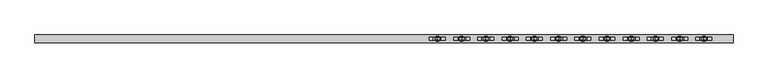
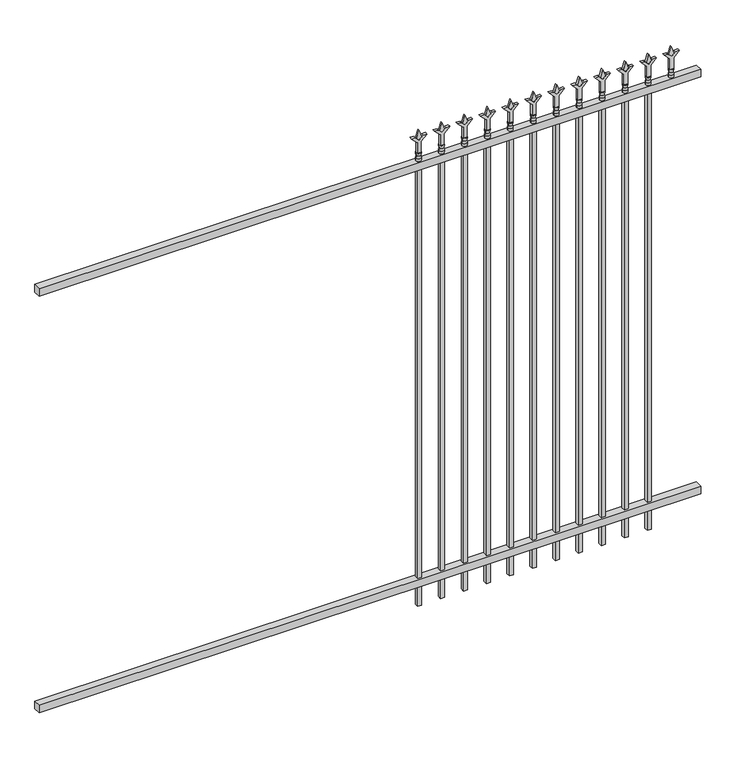
"""IFC4 building model written with IfcOpenShell, lengths in millimetres: railing geometry."""

from ifc_helpers import new_model, si_unit, frame, origin, place, context, project, spatial, polyline, circle_curve, outline, extrude, source, transform, mapped, element, save
from ifc_brep_helpers import plane_surface, cylinder_surface, revolved_surface, advanced_brep


def railing_24e2526b(model_context):
    return source(origin(), model_context, "Body", "SolidModel", [
        extrude(outline(polyline([(-55249.318087, 5443.2804826), (-55249.318087, 5478.2054826), (-52099.718087, 5478.2054826), (-52099.718087, 5443.2804826), (-55249.318087, 5443.2804826)])), frame((0.0, 0.0, 2247.9), z_axis=(0.0, 0.0, 1.0), x_axis=(1.0, 0.0, 0.0)), (0.0, 0.0, 1.0), 38.1),
        extrude(outline(polyline([(-55249.318087, 5443.2804826), (-55249.318087, 5478.2054826), (-52099.718087, 5478.2054826), (-52099.718087, 5443.2804826), (-55249.318087, 5443.2804826)])), frame((0.0, 0.0, 152.4), z_axis=(0.0, 0.0, 1.0), x_axis=(1.0, 0.0, 0.0)), (0.0, 0.0, 1.0), 38.1),
        extrude(outline(polyline([(2402.68125, -52328.8472536), (2438.4, -52340.7535036), (2402.68125, -52352.6597536), (2390.775, -52340.7535036), (2402.68125, -52328.8472536)])), frame((0.0, 5455.9804826, 0.0), z_axis=(0.0, 1.0, 0.0), x_axis=(0.0, 0.0, 1.0)), (0.0, 0.0, 1.0), 9.525),
        extrude(outline(polyline([(2327.275, -52332.0222536), (2381.5457378, -52332.0222536), (2408.7355122, -52304.8324791), (2408.7355122, -52322.7929914), (2390.775, -52340.7535036), (2408.7355122, -52358.7140159), (2408.7355122, -52376.6745281), (2381.5457378, -52349.4847536), (2327.275, -52349.4847536), (2327.275, -52332.0222536)])), frame((0.0, 5454.3929826, 0.0), z_axis=(0.0, 1.0, 0.0), x_axis=(0.0, 0.0, 1.0)), (0.0, 0.0, 1.0), 12.7),
        advanced_brep(
        [(-52328.8472536, 5460.7429826, 2298.7), (-52352.6597536, 5460.7429826, 2298.7), (-52352.6597536, 5460.7429826, 2286.0), (-52328.8472536, 5460.7429826, 2286.0), (-52331.0525855, 5460.7429826, 2311.2070585), (-52350.4544218, 5460.7429826, 2311.2070585), (-52328.8472536, 5460.7429826, 2327.275), (-52352.6597536, 5460.7429826, 2327.275), (-52340.7535036, 5460.7429826, 2327.275), (-52340.7535036, 5460.7429826, 2286.0)],
        [
            (0, 1, circle_curve(frame((-52340.7535036, 5460.7429826, 2298.7), z_axis=(0.0, 0.0, -1.0), x_axis=(-1.0, 0.0, 0.0)), 11.90625)),
            (1, 2),
            (2, 3, circle_curve(frame((-52340.7535036, 5460.7429826, 2286.0), z_axis=(0.0, 0.0, 1.0), x_axis=(-1.0, 0.0, 0.0)), 11.90625)),
            (3, 0),
            (1, 0, circle_curve(frame((-52340.7535036, 5460.7429826, 2298.7), z_axis=(0.0, 0.0, -1.0), x_axis=(-1.0, 0.0, 0.0)), 11.90625)),
            (3, 2, circle_curve(frame((-52340.7535036, 5460.7429826, 2286.0), z_axis=(0.0, 0.0, 1.0), x_axis=(-1.0, 0.0, 0.0)), 11.90625)),
            (4, 5, circle_curve(frame((-52340.7535036, 5460.7429826, 2311.2070585), z_axis=(0.0, 0.0, -1.0), x_axis=(-1.0, 0.0, 0.0)), 9.7009181)),
            (5, 1),
            (0, 4),
            (5, 4, circle_curve(frame((-52340.7535036, 5460.7429826, 2311.2070585), z_axis=(0.0, 0.0, -1.0), x_axis=(-1.0, 0.0, 0.0)), 9.7009181)),
            (6, 7, circle_curve(frame((-52340.7535036, 5460.7429826, 2327.275), z_axis=(0.0, 0.0, -1.0), x_axis=(-1.0, 0.0, 0.0)), 11.90625)),
            (7, 5),
            (4, 6),
            (7, 6, circle_curve(frame((-52340.7535036, 5460.7429826, 2327.275), z_axis=(0.0, 0.0, -1.0), x_axis=(-1.0, 0.0, 0.0)), 11.90625)),
            (8, 7),
            (6, 8),
            (2, 9),
            (9, 3),
        ],
        [
            cylinder_surface(frame((-52340.7535036, 5460.7429826, 2286.0), z_axis=(0.0, 0.0, 1.0), x_axis=(-1.0, 0.0, 0.0)), 11.90625),
            revolved_surface(polyline([(-52352.6597536, 5460.7429826, 2298.7), (-52350.4544218, 5460.7429826, 2311.2070585)]), (-52340.7535036, 5460.7429826, 2286.0), (0.0, 0.0, 1.0)),
            revolved_surface(polyline([(-52350.4544218, 5460.7429826, 2311.2070585), (-52352.6597536, 5460.7429826, 2327.275)]), (-52340.7535036, 5460.7429826, 2286.0), (0.0, 0.0, 1.0)),
            plane_surface(frame((-52340.7535036, 5460.7429826, 2327.275), z_axis=(0.0, 0.0, 1.0), x_axis=(-1.0, 0.0, 0.0))),
            plane_surface(frame((-52340.7535036, 5460.7429826, 2286.0), z_axis=(0.0, 0.0, -1.0), x_axis=(-1.0, 0.0, 0.0))),
        ],
        [
            (0, [[1, 2, 3, 4]]),
            (0, [[5, -4, 6, -2]]),
            (1, [[7, 8, -1, 9]]),
            (1, [[10, -9, -5, -8]]),
            (2, [[11, 12, -7, 13]]),
            (2, [[14, -13, -10, -12]]),
            (3, [[15, -11, 16]]),
            (3, [[-16, -14, -15]]),
            (4, [[-3, 17, 18]]),
            (4, [[-6, -18, -17]]),
        ],
    ),
        extrude(outline(polyline([(-52350.2785036, 5470.2679826), (-52331.2285036, 5470.2679826), (-52331.2285036, 5451.2179826), (-52350.2785036, 5451.2179826), (-52350.2785036, 5470.2679826)])), frame((0.0, 0.0, 50.8), z_axis=(0.0, 0.0, 1.0), x_axis=(1.0, 0.0, 0.0)), (0.0, 0.0, 1.0), 2235.2),
        extrude(outline(polyline([(2402.68125, -52438.1201703), (2438.4, -52450.0264203), (2402.68125, -52461.9326703), (2390.775, -52450.0264203), (2402.68125, -52438.1201703)])), frame((0.0, 5455.9804826, 0.0), z_axis=(0.0, 1.0, 0.0), x_axis=(0.0, 0.0, 1.0)), (0.0, 0.0, 1.0), 9.525),
        extrude(outline(polyline([(2327.275, -52441.2951703), (2381.5457378, -52441.2951703), (2408.7355122, -52414.1053958), (2408.7355122, -52432.0659081), (2390.775, -52450.0264203), (2408.7355122, -52467.9869325), (2408.7355122, -52485.9474448), (2381.5457378, -52458.7576703), (2327.275, -52458.7576703), (2327.275, -52441.2951703)])), frame((0.0, 5454.3929826, 0.0), z_axis=(0.0, 1.0, 0.0), x_axis=(0.0, 0.0, 1.0)), (0.0, 0.0, 1.0), 12.7),
        advanced_brep(
        [(-52438.1201703, 5460.7429826, 2298.7), (-52461.9326703, 5460.7429826, 2298.7), (-52461.9326703, 5460.7429826, 2286.0), (-52438.1201703, 5460.7429826, 2286.0), (-52440.3255022, 5460.7429826, 2311.2070585), (-52459.7273384, 5460.7429826, 2311.2070585), (-52438.1201703, 5460.7429826, 2327.275), (-52461.9326703, 5460.7429826, 2327.275), (-52450.0264203, 5460.7429826, 2327.275), (-52450.0264203, 5460.7429826, 2286.0)],
        [
            (0, 1, circle_curve(frame((-52450.0264203, 5460.7429826, 2298.7), z_axis=(0.0, 0.0, -1.0), x_axis=(-1.0, 0.0, 0.0)), 11.90625)),
            (1, 2),
            (2, 3, circle_curve(frame((-52450.0264203, 5460.7429826, 2286.0), z_axis=(0.0, 0.0, 1.0), x_axis=(-1.0, 0.0, 0.0)), 11.90625)),
            (3, 0),
            (1, 0, circle_curve(frame((-52450.0264203, 5460.7429826, 2298.7), z_axis=(0.0, 0.0, -1.0), x_axis=(-1.0, 0.0, 0.0)), 11.90625)),
            (3, 2, circle_curve(frame((-52450.0264203, 5460.7429826, 2286.0), z_axis=(0.0, 0.0, 1.0), x_axis=(-1.0, 0.0, 0.0)), 11.90625)),
            (4, 5, circle_curve(frame((-52450.0264203, 5460.7429826, 2311.2070585), z_axis=(0.0, 0.0, -1.0), x_axis=(-1.0, 0.0, 0.0)), 9.7009181)),
            (5, 1),
            (0, 4),
            (5, 4, circle_curve(frame((-52450.0264203, 5460.7429826, 2311.2070585), z_axis=(0.0, 0.0, -1.0), x_axis=(-1.0, 0.0, 0.0)), 9.7009181)),
            (6, 7, circle_curve(frame((-52450.0264203, 5460.7429826, 2327.275), z_axis=(0.0, 0.0, -1.0), x_axis=(-1.0, 0.0, 0.0)), 11.90625)),
            (7, 5),
            (4, 6),
            (7, 6, circle_curve(frame((-52450.0264203, 5460.7429826, 2327.275), z_axis=(0.0, 0.0, -1.0), x_axis=(-1.0, 0.0, 0.0)), 11.90625)),
            (8, 7),
            (6, 8),
            (2, 9),
            (9, 3),
        ],
        [
            cylinder_surface(frame((-52450.0264203, 5460.7429826, 2286.0), z_axis=(0.0, 0.0, 1.0), x_axis=(-1.0, 0.0, 0.0)), 11.90625),
            revolved_surface(polyline([(-52461.9326703, 5460.7429826, 2298.7), (-52459.7273384, 5460.7429826, 2311.2070585)]), (-52450.0264203, 5460.7429826, 2286.0), (0.0, 0.0, 1.0)),
            revolved_surface(polyline([(-52459.7273384, 5460.7429826, 2311.2070585), (-52461.9326703, 5460.7429826, 2327.275)]), (-52450.0264203, 5460.7429826, 2286.0), (0.0, 0.0, 1.0)),
            plane_surface(frame((-52450.0264203, 5460.7429826, 2327.275), z_axis=(0.0, 0.0, 1.0), x_axis=(-1.0, 0.0, 0.0))),
            plane_surface(frame((-52450.0264203, 5460.7429826, 2286.0), z_axis=(0.0, 0.0, -1.0), x_axis=(-1.0, 0.0, 0.0))),
        ],
        [
            (0, [[1, 2, 3, 4]]),
            (0, [[5, -4, 6, -2]]),
            (1, [[7, 8, -1, 9]]),
            (1, [[10, -9, -5, -8]]),
            (2, [[11, 12, -7, 13]]),
            (2, [[14, -13, -10, -12]]),
            (3, [[15, -11, 16]]),
            (3, [[-16, -14, -15]]),
            (4, [[-3, 17, 18]]),
            (4, [[-6, -18, -17]]),
        ],
    ),
        extrude(outline(polyline([(-52459.5514203, 5470.2679826), (-52440.5014203, 5470.2679826), (-52440.5014203, 5451.2179826), (-52459.5514203, 5451.2179826), (-52459.5514203, 5470.2679826)])), frame((0.0, 0.0, 50.8), z_axis=(0.0, 0.0, 1.0), x_axis=(1.0, 0.0, 0.0)), (0.0, 0.0, 1.0), 2235.2),
        extrude(outline(polyline([(2402.68125, -52547.393087), (2438.4, -52559.299337), (2402.68125, -52571.205587), (2390.775, -52559.299337), (2402.68125, -52547.393087)])), frame((0.0, 5455.9804826, 0.0), z_axis=(0.0, 1.0, 0.0), x_axis=(0.0, 0.0, 1.0)), (0.0, 0.0, 1.0), 9.525),
        extrude(outline(polyline([(2327.275, -52550.568087), (2381.5457378, -52550.568087), (2408.7355122, -52523.3783125), (2408.7355122, -52541.3388247), (2390.775, -52559.299337), (2408.7355122, -52577.2598492), (2408.7355122, -52595.2203614), (2381.5457378, -52568.030587), (2327.275, -52568.030587), (2327.275, -52550.568087)])), frame((0.0, 5454.3929826, 0.0), z_axis=(0.0, 1.0, 0.0), x_axis=(0.0, 0.0, 1.0)), (0.0, 0.0, 1.0), 12.7),
        advanced_brep(
        [(-52547.393087, 5460.7429826, 2298.7), (-52571.205587, 5460.7429826, 2298.7), (-52571.205587, 5460.7429826, 2286.0), (-52547.393087, 5460.7429826, 2286.0), (-52549.5984188, 5460.7429826, 2311.2070585), (-52569.0002551, 5460.7429826, 2311.2070585), (-52547.393087, 5460.7429826, 2327.275), (-52571.205587, 5460.7429826, 2327.275), (-52559.299337, 5460.7429826, 2327.275), (-52559.299337, 5460.7429826, 2286.0)],
        [
            (0, 1, circle_curve(frame((-52559.299337, 5460.7429826, 2298.7), z_axis=(0.0, 0.0, -1.0), x_axis=(-1.0, 0.0, 0.0)), 11.90625)),
            (1, 2),
            (2, 3, circle_curve(frame((-52559.299337, 5460.7429826, 2286.0), z_axis=(0.0, 0.0, 1.0), x_axis=(-1.0, 0.0, 0.0)), 11.90625)),
            (3, 0),
            (1, 0, circle_curve(frame((-52559.299337, 5460.7429826, 2298.7), z_axis=(0.0, 0.0, -1.0), x_axis=(-1.0, 0.0, 0.0)), 11.90625)),
            (3, 2, circle_curve(frame((-52559.299337, 5460.7429826, 2286.0), z_axis=(0.0, 0.0, 1.0), x_axis=(-1.0, 0.0, 0.0)), 11.90625)),
            (4, 5, circle_curve(frame((-52559.299337, 5460.7429826, 2311.2070585), z_axis=(0.0, 0.0, -1.0), x_axis=(-1.0, 0.0, 0.0)), 9.7009181)),
            (5, 1),
            (0, 4),
            (5, 4, circle_curve(frame((-52559.299337, 5460.7429826, 2311.2070585), z_axis=(0.0, 0.0, -1.0), x_axis=(-1.0, 0.0, 0.0)), 9.7009181)),
            (6, 7, circle_curve(frame((-52559.299337, 5460.7429826, 2327.275), z_axis=(0.0, 0.0, -1.0), x_axis=(-1.0, 0.0, 0.0)), 11.90625)),
            (7, 5),
            (4, 6),
            (7, 6, circle_curve(frame((-52559.299337, 5460.7429826, 2327.275), z_axis=(0.0, 0.0, -1.0), x_axis=(-1.0, 0.0, 0.0)), 11.90625)),
            (8, 7),
            (6, 8),
            (2, 9),
            (9, 3),
        ],
        [
            cylinder_surface(frame((-52559.299337, 5460.7429826, 2286.0), z_axis=(0.0, 0.0, 1.0), x_axis=(-1.0, 0.0, 0.0)), 11.90625),
            revolved_surface(polyline([(-52571.205587, 5460.7429826, 2298.7), (-52569.0002551, 5460.7429826, 2311.2070585)]), (-52559.299337, 5460.7429826, 2286.0), (0.0, 0.0, 1.0)),
            revolved_surface(polyline([(-52569.0002551, 5460.7429826, 2311.2070585), (-52571.205587, 5460.7429826, 2327.275)]), (-52559.299337, 5460.7429826, 2286.0), (0.0, 0.0, 1.0)),
            plane_surface(frame((-52559.299337, 5460.7429826, 2327.275), z_axis=(0.0, 0.0, 1.0), x_axis=(-1.0, 0.0, 0.0))),
            plane_surface(frame((-52559.299337, 5460.7429826, 2286.0), z_axis=(0.0, 0.0, -1.0), x_axis=(-1.0, 0.0, 0.0))),
        ],
        [
            (0, [[1, 2, 3, 4]]),
            (0, [[5, -4, 6, -2]]),
            (1, [[7, 8, -1, 9]]),
            (1, [[10, -9, -5, -8]]),
            (2, [[11, 12, -7, 13]]),
            (2, [[14, -13, -10, -12]]),
            (3, [[15, -11, 16]]),
            (3, [[-16, -14, -15]]),
            (4, [[-3, 17, 18]]),
            (4, [[-6, -18, -17]]),
        ],
    ),
        extrude(outline(polyline([(-52568.824337, 5470.2679826), (-52549.774337, 5470.2679826), (-52549.774337, 5451.2179826), (-52568.824337, 5451.2179826), (-52568.824337, 5470.2679826)])), frame((0.0, 0.0, 50.8), z_axis=(0.0, 0.0, 1.0), x_axis=(1.0, 0.0, 0.0)), (0.0, 0.0, 1.0), 2235.2),
        extrude(outline(polyline([(2402.68125, -52656.6660036), (2438.4, -52668.5722536), (2402.68125, -52680.4785036), (2390.775, -52668.5722536), (2402.68125, -52656.6660036)])), frame((0.0, 5455.9804826, 0.0), z_axis=(0.0, 1.0, 0.0), x_axis=(0.0, 0.0, 1.0)), (0.0, 0.0, 1.0), 9.525),
        extrude(outline(polyline([(2327.275, -52659.8410036), (2381.5457378, -52659.8410036), (2408.7355122, -52632.6512291), (2408.7355122, -52650.6117414), (2390.775, -52668.5722536), (2408.7355122, -52686.5327659), (2408.7355122, -52704.4932781), (2381.5457378, -52677.3035036), (2327.275, -52677.3035036), (2327.275, -52659.8410036)])), frame((0.0, 5454.3929826, 0.0), z_axis=(0.0, 1.0, 0.0), x_axis=(0.0, 0.0, 1.0)), (0.0, 0.0, 1.0), 12.7),
        advanced_brep(
        [(-52656.6660036, 5460.7429826, 2298.7), (-52680.4785036, 5460.7429826, 2298.7), (-52680.4785036, 5460.7429826, 2286.0), (-52656.6660036, 5460.7429826, 2286.0), (-52658.8713355, 5460.7429826, 2311.2070585), (-52678.2731718, 5460.7429826, 2311.2070585), (-52656.6660036, 5460.7429826, 2327.275), (-52680.4785036, 5460.7429826, 2327.275), (-52668.5722536, 5460.7429826, 2327.275), (-52668.5722536, 5460.7429826, 2286.0)],
        [
            (0, 1, circle_curve(frame((-52668.5722536, 5460.7429826, 2298.7), z_axis=(0.0, 0.0, -1.0), x_axis=(-1.0, 0.0, 0.0)), 11.90625)),
            (1, 2),
            (2, 3, circle_curve(frame((-52668.5722536, 5460.7429826, 2286.0), z_axis=(0.0, 0.0, 1.0), x_axis=(-1.0, 0.0, 0.0)), 11.90625)),
            (3, 0),
            (1, 0, circle_curve(frame((-52668.5722536, 5460.7429826, 2298.7), z_axis=(0.0, 0.0, -1.0), x_axis=(-1.0, 0.0, 0.0)), 11.90625)),
            (3, 2, circle_curve(frame((-52668.5722536, 5460.7429826, 2286.0), z_axis=(0.0, 0.0, 1.0), x_axis=(-1.0, 0.0, 0.0)), 11.90625)),
            (4, 5, circle_curve(frame((-52668.5722536, 5460.7429826, 2311.2070585), z_axis=(0.0, 0.0, -1.0), x_axis=(-1.0, 0.0, 0.0)), 9.7009181)),
            (5, 1),
            (0, 4),
            (5, 4, circle_curve(frame((-52668.5722536, 5460.7429826, 2311.2070585), z_axis=(0.0, 0.0, -1.0), x_axis=(-1.0, 0.0, 0.0)), 9.7009181)),
            (6, 7, circle_curve(frame((-52668.5722536, 5460.7429826, 2327.275), z_axis=(0.0, 0.0, -1.0), x_axis=(-1.0, 0.0, 0.0)), 11.90625)),
            (7, 5),
            (4, 6),
            (7, 6, circle_curve(frame((-52668.5722536, 5460.7429826, 2327.275), z_axis=(0.0, 0.0, -1.0), x_axis=(-1.0, 0.0, 0.0)), 11.90625)),
            (8, 7),
            (6, 8),
            (2, 9),
            (9, 3),
        ],
        [
            cylinder_surface(frame((-52668.5722536, 5460.7429826, 2286.0), z_axis=(0.0, 0.0, 1.0), x_axis=(-1.0, 0.0, 0.0)), 11.90625),
            revolved_surface(polyline([(-52680.4785036, 5460.7429826, 2298.7), (-52678.2731718, 5460.7429826, 2311.2070585)]), (-52668.5722536, 5460.7429826, 2286.0), (0.0, 0.0, 1.0)),
            revolved_surface(polyline([(-52678.2731718, 5460.7429826, 2311.2070585), (-52680.4785036, 5460.7429826, 2327.275)]), (-52668.5722536, 5460.7429826, 2286.0), (0.0, 0.0, 1.0)),
            plane_surface(frame((-52668.5722536, 5460.7429826, 2327.275), z_axis=(0.0, 0.0, 1.0), x_axis=(-1.0, 0.0, 0.0))),
            plane_surface(frame((-52668.5722536, 5460.7429826, 2286.0), z_axis=(0.0, 0.0, -1.0), x_axis=(-1.0, 0.0, 0.0))),
        ],
        [
            (0, [[1, 2, 3, 4]]),
            (0, [[5, -4, 6, -2]]),
            (1, [[7, 8, -1, 9]]),
            (1, [[10, -9, -5, -8]]),
            (2, [[11, 12, -7, 13]]),
            (2, [[14, -13, -10, -12]]),
            (3, [[15, -11, 16]]),
            (3, [[-16, -14, -15]]),
            (4, [[-3, 17, 18]]),
            (4, [[-6, -18, -17]]),
        ],
    ),
        extrude(outline(polyline([(-52678.0972536, 5470.2679826), (-52659.0472536, 5470.2679826), (-52659.0472536, 5451.2179826), (-52678.0972536, 5451.2179826), (-52678.0972536, 5470.2679826)])), frame((0.0, 0.0, 50.8), z_axis=(0.0, 0.0, 1.0), x_axis=(1.0, 0.0, 0.0)), (0.0, 0.0, 1.0), 2235.2),
        extrude(outline(polyline([(2402.68125, -52765.9389203), (2438.4, -52777.8451703), (2402.68125, -52789.7514203), (2390.775, -52777.8451703), (2402.68125, -52765.9389203)])), frame((0.0, 5455.9804826, 0.0), z_axis=(0.0, 1.0, 0.0), x_axis=(0.0, 0.0, 1.0)), (0.0, 0.0, 1.0), 9.525),
        extrude(outline(polyline([(2327.275, -52769.1139203), (2381.5457378, -52769.1139203), (2408.7355122, -52741.9241458), (2408.7355122, -52759.8846581), (2390.775, -52777.8451703), (2408.7355122, -52795.8056825), (2408.7355122, -52813.7661948), (2381.5457378, -52786.5764203), (2327.275, -52786.5764203), (2327.275, -52769.1139203)])), frame((0.0, 5454.3929826, 0.0), z_axis=(0.0, 1.0, 0.0), x_axis=(0.0, 0.0, 1.0)), (0.0, 0.0, 1.0), 12.7),
        advanced_brep(
        [(-52765.9389203, 5460.7429826, 2298.7), (-52789.7514203, 5460.7429826, 2298.7), (-52789.7514203, 5460.7429826, 2286.0), (-52765.9389203, 5460.7429826, 2286.0), (-52768.1442522, 5460.7429826, 2311.2070585), (-52787.5460884, 5460.7429826, 2311.2070585), (-52765.9389203, 5460.7429826, 2327.275), (-52789.7514203, 5460.7429826, 2327.275), (-52777.8451703, 5460.7429826, 2327.275), (-52777.8451703, 5460.7429826, 2286.0)],
        [
            (0, 1, circle_curve(frame((-52777.8451703, 5460.7429826, 2298.7), z_axis=(0.0, 0.0, -1.0), x_axis=(-1.0, 0.0, 0.0)), 11.90625)),
            (1, 2),
            (2, 3, circle_curve(frame((-52777.8451703, 5460.7429826, 2286.0), z_axis=(0.0, 0.0, 1.0), x_axis=(-1.0, 0.0, 0.0)), 11.90625)),
            (3, 0),
            (1, 0, circle_curve(frame((-52777.8451703, 5460.7429826, 2298.7), z_axis=(0.0, 0.0, -1.0), x_axis=(-1.0, 0.0, 0.0)), 11.90625)),
            (3, 2, circle_curve(frame((-52777.8451703, 5460.7429826, 2286.0), z_axis=(0.0, 0.0, 1.0), x_axis=(-1.0, 0.0, 0.0)), 11.90625)),
            (4, 5, circle_curve(frame((-52777.8451703, 5460.7429826, 2311.2070585), z_axis=(0.0, 0.0, -1.0), x_axis=(-1.0, 0.0, 0.0)), 9.7009181)),
            (5, 1),
            (0, 4),
            (5, 4, circle_curve(frame((-52777.8451703, 5460.7429826, 2311.2070585), z_axis=(0.0, 0.0, -1.0), x_axis=(-1.0, 0.0, 0.0)), 9.7009181)),
            (6, 7, circle_curve(frame((-52777.8451703, 5460.7429826, 2327.275), z_axis=(0.0, 0.0, -1.0), x_axis=(-1.0, 0.0, 0.0)), 11.90625)),
            (7, 5),
            (4, 6),
            (7, 6, circle_curve(frame((-52777.8451703, 5460.7429826, 2327.275), z_axis=(0.0, 0.0, -1.0), x_axis=(-1.0, 0.0, 0.0)), 11.90625)),
            (8, 7),
            (6, 8),
            (2, 9),
            (9, 3),
        ],
        [
            cylinder_surface(frame((-52777.8451703, 5460.7429826, 2286.0), z_axis=(0.0, 0.0, 1.0), x_axis=(-1.0, 0.0, 0.0)), 11.90625),
            revolved_surface(polyline([(-52789.7514203, 5460.7429826, 2298.7), (-52787.5460884, 5460.7429826, 2311.2070585)]), (-52777.8451703, 5460.7429826, 2286.0), (0.0, 0.0, 1.0)),
            revolved_surface(polyline([(-52787.5460884, 5460.7429826, 2311.2070585), (-52789.7514203, 5460.7429826, 2327.275)]), (-52777.8451703, 5460.7429826, 2286.0), (0.0, 0.0, 1.0)),
            plane_surface(frame((-52777.8451703, 5460.7429826, 2327.275), z_axis=(0.0, 0.0, 1.0), x_axis=(-1.0, 0.0, 0.0))),
            plane_surface(frame((-52777.8451703, 5460.7429826, 2286.0), z_axis=(0.0, 0.0, -1.0), x_axis=(-1.0, 0.0, 0.0))),
        ],
        [
            (0, [[1, 2, 3, 4]]),
            (0, [[5, -4, 6, -2]]),
            (1, [[7, 8, -1, 9]]),
            (1, [[10, -9, -5, -8]]),
            (2, [[11, 12, -7, 13]]),
            (2, [[14, -13, -10, -12]]),
            (3, [[15, -11, 16]]),
            (3, [[-16, -14, -15]]),
            (4, [[-3, 17, 18]]),
            (4, [[-6, -18, -17]]),
        ],
    ),
        extrude(outline(polyline([(-52787.3701703, 5470.2679826), (-52768.3201703, 5470.2679826), (-52768.3201703, 5451.2179826), (-52787.3701703, 5451.2179826), (-52787.3701703, 5470.2679826)])), frame((0.0, 0.0, 50.8), z_axis=(0.0, 0.0, 1.0), x_axis=(1.0, 0.0, 0.0)), (0.0, 0.0, 1.0), 2235.2),
        extrude(outline(polyline([(2402.68125, -52875.211837), (2438.4, -52887.118087), (2402.68125, -52899.024337), (2390.775, -52887.118087), (2402.68125, -52875.211837)])), frame((0.0, 5455.9804826, 0.0), z_axis=(0.0, 1.0, 0.0), x_axis=(0.0, 0.0, 1.0)), (0.0, 0.0, 1.0), 9.525),
        extrude(outline(polyline([(2327.275, -52878.386837), (2381.5457378, -52878.386837), (2408.7355122, -52851.1970625), (2408.7355122, -52869.1575747), (2390.775, -52887.118087), (2408.7355122, -52905.0785992), (2408.7355122, -52923.0391114), (2381.5457378, -52895.849337), (2327.275, -52895.849337), (2327.275, -52878.386837)])), frame((0.0, 5454.3929826, 0.0), z_axis=(0.0, 1.0, 0.0), x_axis=(0.0, 0.0, 1.0)), (0.0, 0.0, 1.0), 12.7),
        advanced_brep(
        [(-52875.211837, 5460.7429826, 2298.7), (-52899.024337, 5460.7429826, 2298.7), (-52899.024337, 5460.7429826, 2286.0), (-52875.211837, 5460.7429826, 2286.0), (-52877.4171688, 5460.7429826, 2311.2070585), (-52896.8190051, 5460.7429826, 2311.2070585), (-52875.211837, 5460.7429826, 2327.275), (-52899.024337, 5460.7429826, 2327.275), (-52887.118087, 5460.7429826, 2327.275), (-52887.118087, 5460.7429826, 2286.0)],
        [
            (0, 1, circle_curve(frame((-52887.118087, 5460.7429826, 2298.7), z_axis=(0.0, 0.0, -1.0), x_axis=(-1.0, 0.0, 0.0)), 11.90625)),
            (1, 2),
            (2, 3, circle_curve(frame((-52887.118087, 5460.7429826, 2286.0), z_axis=(0.0, 0.0, 1.0), x_axis=(-1.0, 0.0, 0.0)), 11.90625)),
            (3, 0),
            (1, 0, circle_curve(frame((-52887.118087, 5460.7429826, 2298.7), z_axis=(0.0, 0.0, -1.0), x_axis=(-1.0, 0.0, 0.0)), 11.90625)),
            (3, 2, circle_curve(frame((-52887.118087, 5460.7429826, 2286.0), z_axis=(0.0, 0.0, 1.0), x_axis=(-1.0, 0.0, 0.0)), 11.90625)),
            (4, 5, circle_curve(frame((-52887.118087, 5460.7429826, 2311.2070585), z_axis=(0.0, 0.0, -1.0), x_axis=(-1.0, 0.0, 0.0)), 9.7009181)),
            (5, 1),
            (0, 4),
            (5, 4, circle_curve(frame((-52887.118087, 5460.7429826, 2311.2070585), z_axis=(0.0, 0.0, -1.0), x_axis=(-1.0, 0.0, 0.0)), 9.7009181)),
            (6, 7, circle_curve(frame((-52887.118087, 5460.7429826, 2327.275), z_axis=(0.0, 0.0, -1.0), x_axis=(-1.0, 0.0, 0.0)), 11.90625)),
            (7, 5),
            (4, 6),
            (7, 6, circle_curve(frame((-52887.118087, 5460.7429826, 2327.275), z_axis=(0.0, 0.0, -1.0), x_axis=(-1.0, 0.0, 0.0)), 11.90625)),
            (8, 7),
            (6, 8),
            (2, 9),
            (9, 3),
        ],
        [
            cylinder_surface(frame((-52887.118087, 5460.7429826, 2286.0), z_axis=(0.0, 0.0, 1.0), x_axis=(-1.0, 0.0, 0.0)), 11.90625),
            revolved_surface(polyline([(-52899.024337, 5460.7429826, 2298.7), (-52896.8190051, 5460.7429826, 2311.2070585)]), (-52887.118087, 5460.7429826, 2286.0), (0.0, 0.0, 1.0)),
            revolved_surface(polyline([(-52896.8190051, 5460.7429826, 2311.2070585), (-52899.024337, 5460.7429826, 2327.275)]), (-52887.118087, 5460.7429826, 2286.0), (0.0, 0.0, 1.0)),
            plane_surface(frame((-52887.118087, 5460.7429826, 2327.275), z_axis=(0.0, 0.0, 1.0), x_axis=(-1.0, 0.0, 0.0))),
            plane_surface(frame((-52887.118087, 5460.7429826, 2286.0), z_axis=(0.0, 0.0, -1.0), x_axis=(-1.0, 0.0, 0.0))),
        ],
        [
            (0, [[1, 2, 3, 4]]),
            (0, [[5, -4, 6, -2]]),
            (1, [[7, 8, -1, 9]]),
            (1, [[10, -9, -5, -8]]),
            (2, [[11, 12, -7, 13]]),
            (2, [[14, -13, -10, -12]]),
            (3, [[15, -11, 16]]),
            (3, [[-16, -14, -15]]),
            (4, [[-3, 17, 18]]),
            (4, [[-6, -18, -17]]),
        ],
    ),
        extrude(outline(polyline([(-52896.643087, 5470.2679826), (-52877.593087, 5470.2679826), (-52877.593087, 5451.2179826), (-52896.643087, 5451.2179826), (-52896.643087, 5470.2679826)])), frame((0.0, 0.0, 50.8), z_axis=(0.0, 0.0, 1.0), x_axis=(1.0, 0.0, 0.0)), (0.0, 0.0, 1.0), 2235.2),
        extrude(outline(polyline([(2402.68125, -52984.4847536), (2438.4, -52996.3910036), (2402.68125, -53008.2972536), (2390.775, -52996.3910036), (2402.68125, -52984.4847536)])), frame((0.0, 5455.9804826, 0.0), z_axis=(0.0, 1.0, 0.0), x_axis=(0.0, 0.0, 1.0)), (0.0, 0.0, 1.0), 9.525),
        extrude(outline(polyline([(2327.275, -52987.6597536), (2381.5457378, -52987.6597536), (2408.7355122, -52960.4699791), (2408.7355122, -52978.4304914), (2390.775, -52996.3910036), (2408.7355122, -53014.3515159), (2408.7355122, -53032.3120281), (2381.5457378, -53005.1222536), (2327.275, -53005.1222536), (2327.275, -52987.6597536)])), frame((0.0, 5454.3929826, 0.0), z_axis=(0.0, 1.0, 0.0), x_axis=(0.0, 0.0, 1.0)), (0.0, 0.0, 1.0), 12.7),
        advanced_brep(
        [(-52984.4847536, 5460.7429826, 2298.7), (-53008.2972536, 5460.7429826, 2298.7), (-53008.2972536, 5460.7429826, 2286.0), (-52984.4847536, 5460.7429826, 2286.0), (-52986.6900855, 5460.7429826, 2311.2070585), (-53006.0919218, 5460.7429826, 2311.2070585), (-52984.4847536, 5460.7429826, 2327.275), (-53008.2972536, 5460.7429826, 2327.275), (-52996.3910036, 5460.7429826, 2327.275), (-52996.3910036, 5460.7429826, 2286.0)],
        [
            (0, 1, circle_curve(frame((-52996.3910036, 5460.7429826, 2298.7), z_axis=(0.0, 0.0, -1.0), x_axis=(-1.0, 0.0, 0.0)), 11.90625)),
            (1, 2),
            (2, 3, circle_curve(frame((-52996.3910036, 5460.7429826, 2286.0), z_axis=(0.0, 0.0, 1.0), x_axis=(-1.0, 0.0, 0.0)), 11.90625)),
            (3, 0),
            (1, 0, circle_curve(frame((-52996.3910036, 5460.7429826, 2298.7), z_axis=(0.0, 0.0, -1.0), x_axis=(-1.0, 0.0, 0.0)), 11.90625)),
            (3, 2, circle_curve(frame((-52996.3910036, 5460.7429826, 2286.0), z_axis=(0.0, 0.0, 1.0), x_axis=(-1.0, 0.0, 0.0)), 11.90625)),
            (4, 5, circle_curve(frame((-52996.3910036, 5460.7429826, 2311.2070585), z_axis=(0.0, 0.0, -1.0), x_axis=(-1.0, 0.0, 0.0)), 9.7009181)),
            (5, 1),
            (0, 4),
            (5, 4, circle_curve(frame((-52996.3910036, 5460.7429826, 2311.2070585), z_axis=(0.0, 0.0, -1.0), x_axis=(-1.0, 0.0, 0.0)), 9.7009181)),
            (6, 7, circle_curve(frame((-52996.3910036, 5460.7429826, 2327.275), z_axis=(0.0, 0.0, -1.0), x_axis=(-1.0, 0.0, 0.0)), 11.90625)),
            (7, 5),
            (4, 6),
            (7, 6, circle_curve(frame((-52996.3910036, 5460.7429826, 2327.275), z_axis=(0.0, 0.0, -1.0), x_axis=(-1.0, 0.0, 0.0)), 11.90625)),
            (8, 7),
            (6, 8),
            (2, 9),
            (9, 3),
        ],
        [
            cylinder_surface(frame((-52996.3910036, 5460.7429826, 2286.0), z_axis=(0.0, 0.0, 1.0), x_axis=(-1.0, 0.0, 0.0)), 11.90625),
            revolved_surface(polyline([(-53008.2972536, 5460.7429826, 2298.7), (-53006.0919218, 5460.7429826, 2311.2070585)]), (-52996.3910036, 5460.7429826, 2286.0), (0.0, 0.0, 1.0)),
            revolved_surface(polyline([(-53006.0919218, 5460.7429826, 2311.2070585), (-53008.2972536, 5460.7429826, 2327.275)]), (-52996.3910036, 5460.7429826, 2286.0), (0.0, 0.0, 1.0)),
            plane_surface(frame((-52996.3910036, 5460.7429826, 2327.275), z_axis=(0.0, 0.0, 1.0), x_axis=(-1.0, 0.0, 0.0))),
            plane_surface(frame((-52996.3910036, 5460.7429826, 2286.0), z_axis=(0.0, 0.0, -1.0), x_axis=(-1.0, 0.0, 0.0))),
        ],
        [
            (0, [[1, 2, 3, 4]]),
            (0, [[5, -4, 6, -2]]),
            (1, [[7, 8, -1, 9]]),
            (1, [[10, -9, -5, -8]]),
            (2, [[11, 12, -7, 13]]),
            (2, [[14, -13, -10, -12]]),
            (3, [[15, -11, 16]]),
            (3, [[-16, -14, -15]]),
            (4, [[-3, 17, 18]]),
            (4, [[-6, -18, -17]]),
        ],
    ),
        extrude(outline(polyline([(-53005.9160036, 5470.2679826), (-52986.8660036, 5470.2679826), (-52986.8660036, 5451.2179826), (-53005.9160036, 5451.2179826), (-53005.9160036, 5470.2679826)])), frame((0.0, 0.0, 50.8), z_axis=(0.0, 0.0, 1.0), x_axis=(1.0, 0.0, 0.0)), (0.0, 0.0, 1.0), 2235.2),
        extrude(outline(polyline([(2402.68125, -53093.7576703), (2438.4, -53105.6639203), (2402.68125, -53117.5701703), (2390.775, -53105.6639203), (2402.68125, -53093.7576703)])), frame((0.0, 5455.9804826, 0.0), z_axis=(0.0, 1.0, 0.0), x_axis=(0.0, 0.0, 1.0)), (0.0, 0.0, 1.0), 9.525),
        extrude(outline(polyline([(2327.275, -53096.9326703), (2381.5457378, -53096.9326703), (2408.7355122, -53069.7428958), (2408.7355122, -53087.7034081), (2390.775, -53105.6639203), (2408.7355122, -53123.6244325), (2408.7355122, -53141.5849448), (2381.5457378, -53114.3951703), (2327.275, -53114.3951703), (2327.275, -53096.9326703)])), frame((0.0, 5454.3929826, 0.0), z_axis=(0.0, 1.0, 0.0), x_axis=(0.0, 0.0, 1.0)), (0.0, 0.0, 1.0), 12.7),
        advanced_brep(
        [(-53093.7576703, 5460.7429826, 2298.7), (-53117.5701703, 5460.7429826, 2298.7), (-53117.5701703, 5460.7429826, 2286.0), (-53093.7576703, 5460.7429826, 2286.0), (-53095.9630022, 5460.7429826, 2311.2070585), (-53115.3648384, 5460.7429826, 2311.2070585), (-53093.7576703, 5460.7429826, 2327.275), (-53117.5701703, 5460.7429826, 2327.275), (-53105.6639203, 5460.7429826, 2327.275), (-53105.6639203, 5460.7429826, 2286.0)],
        [
            (0, 1, circle_curve(frame((-53105.6639203, 5460.7429826, 2298.7), z_axis=(0.0, 0.0, -1.0), x_axis=(-1.0, 0.0, 0.0)), 11.90625)),
            (1, 2),
            (2, 3, circle_curve(frame((-53105.6639203, 5460.7429826, 2286.0), z_axis=(0.0, 0.0, 1.0), x_axis=(-1.0, 0.0, 0.0)), 11.90625)),
            (3, 0),
            (1, 0, circle_curve(frame((-53105.6639203, 5460.7429826, 2298.7), z_axis=(0.0, 0.0, -1.0), x_axis=(-1.0, 0.0, 0.0)), 11.90625)),
            (3, 2, circle_curve(frame((-53105.6639203, 5460.7429826, 2286.0), z_axis=(0.0, 0.0, 1.0), x_axis=(-1.0, 0.0, 0.0)), 11.90625)),
            (4, 5, circle_curve(frame((-53105.6639203, 5460.7429826, 2311.2070585), z_axis=(0.0, 0.0, -1.0), x_axis=(-1.0, 0.0, 0.0)), 9.7009181)),
            (5, 1),
            (0, 4),
            (5, 4, circle_curve(frame((-53105.6639203, 5460.7429826, 2311.2070585), z_axis=(0.0, 0.0, -1.0), x_axis=(-1.0, 0.0, 0.0)), 9.7009181)),
            (6, 7, circle_curve(frame((-53105.6639203, 5460.7429826, 2327.275), z_axis=(0.0, 0.0, -1.0), x_axis=(-1.0, 0.0, 0.0)), 11.90625)),
            (7, 5),
            (4, 6),
            (7, 6, circle_curve(frame((-53105.6639203, 5460.7429826, 2327.275), z_axis=(0.0, 0.0, -1.0), x_axis=(-1.0, 0.0, 0.0)), 11.90625)),
            (8, 7),
            (6, 8),
            (2, 9),
            (9, 3),
        ],
        [
            cylinder_surface(frame((-53105.6639203, 5460.7429826, 2286.0), z_axis=(0.0, 0.0, 1.0), x_axis=(-1.0, 0.0, 0.0)), 11.90625),
            revolved_surface(polyline([(-53117.5701703, 5460.7429826, 2298.7), (-53115.3648384, 5460.7429826, 2311.2070585)]), (-53105.6639203, 5460.7429826, 2286.0), (0.0, 0.0, 1.0)),
            revolved_surface(polyline([(-53115.3648384, 5460.7429826, 2311.2070585), (-53117.5701703, 5460.7429826, 2327.275)]), (-53105.6639203, 5460.7429826, 2286.0), (0.0, 0.0, 1.0)),
            plane_surface(frame((-53105.6639203, 5460.7429826, 2327.275), z_axis=(0.0, 0.0, 1.0), x_axis=(-1.0, 0.0, 0.0))),
            plane_surface(frame((-53105.6639203, 5460.7429826, 2286.0), z_axis=(0.0, 0.0, -1.0), x_axis=(-1.0, 0.0, 0.0))),
        ],
        [
            (0, [[1, 2, 3, 4]]),
            (0, [[5, -4, 6, -2]]),
            (1, [[7, 8, -1, 9]]),
            (1, [[10, -9, -5, -8]]),
            (2, [[11, 12, -7, 13]]),
            (2, [[14, -13, -10, -12]]),
            (3, [[15, -11, 16]]),
            (3, [[-16, -14, -15]]),
            (4, [[-3, 17, 18]]),
            (4, [[-6, -18, -17]]),
        ],
    ),
        extrude(outline(polyline([(-53115.1889203, 5470.2679826), (-53096.1389203, 5470.2679826), (-53096.1389203, 5451.2179826), (-53115.1889203, 5451.2179826), (-53115.1889203, 5470.2679826)])), frame((0.0, 0.0, 50.8), z_axis=(0.0, 0.0, 1.0), x_axis=(1.0, 0.0, 0.0)), (0.0, 0.0, 1.0), 2235.2),
        extrude(outline(polyline([(2402.68125, -53203.030587), (2438.4, -53214.936837), (2402.68125, -53226.843087), (2390.775, -53214.936837), (2402.68125, -53203.030587)])), frame((0.0, 5455.9804826, 0.0), z_axis=(0.0, 1.0, 0.0), x_axis=(0.0, 0.0, 1.0)), (0.0, 0.0, 1.0), 9.525),
        extrude(outline(polyline([(2327.275, -53206.205587), (2381.5457378, -53206.205587), (2408.7355122, -53179.0158125), (2408.7355122, -53196.9763247), (2390.775, -53214.936837), (2408.7355122, -53232.8973492), (2408.7355122, -53250.8578614), (2381.5457378, -53223.668087), (2327.275, -53223.668087), (2327.275, -53206.205587)])), frame((0.0, 5454.3929826, 0.0), z_axis=(0.0, 1.0, 0.0), x_axis=(0.0, 0.0, 1.0)), (0.0, 0.0, 1.0), 12.7),
        advanced_brep(
        [(-53203.030587, 5460.7429826, 2298.7), (-53226.843087, 5460.7429826, 2298.7), (-53226.843087, 5460.7429826, 2286.0), (-53203.030587, 5460.7429826, 2286.0), (-53205.2359188, 5460.7429826, 2311.2070585), (-53224.6377551, 5460.7429826, 2311.2070585), (-53203.030587, 5460.7429826, 2327.275), (-53226.843087, 5460.7429826, 2327.275), (-53214.936837, 5460.7429826, 2327.275), (-53214.936837, 5460.7429826, 2286.0)],
        [
            (0, 1, circle_curve(frame((-53214.936837, 5460.7429826, 2298.7), z_axis=(0.0, 0.0, -1.0), x_axis=(-1.0, 0.0, 0.0)), 11.90625)),
            (1, 2),
            (2, 3, circle_curve(frame((-53214.936837, 5460.7429826, 2286.0), z_axis=(0.0, 0.0, 1.0), x_axis=(-1.0, 0.0, 0.0)), 11.90625)),
            (3, 0),
            (1, 0, circle_curve(frame((-53214.936837, 5460.7429826, 2298.7), z_axis=(0.0, 0.0, -1.0), x_axis=(-1.0, 0.0, 0.0)), 11.90625)),
            (3, 2, circle_curve(frame((-53214.936837, 5460.7429826, 2286.0), z_axis=(0.0, 0.0, 1.0), x_axis=(-1.0, 0.0, 0.0)), 11.90625)),
            (4, 5, circle_curve(frame((-53214.936837, 5460.7429826, 2311.2070585), z_axis=(0.0, 0.0, -1.0), x_axis=(-1.0, 0.0, 0.0)), 9.7009181)),
            (5, 1),
            (0, 4),
            (5, 4, circle_curve(frame((-53214.936837, 5460.7429826, 2311.2070585), z_axis=(0.0, 0.0, -1.0), x_axis=(-1.0, 0.0, 0.0)), 9.7009181)),
            (6, 7, circle_curve(frame((-53214.936837, 5460.7429826, 2327.275), z_axis=(0.0, 0.0, -1.0), x_axis=(-1.0, 0.0, 0.0)), 11.90625)),
            (7, 5),
            (4, 6),
            (7, 6, circle_curve(frame((-53214.936837, 5460.7429826, 2327.275), z_axis=(0.0, 0.0, -1.0), x_axis=(-1.0, 0.0, 0.0)), 11.90625)),
            (8, 7),
            (6, 8),
            (2, 9),
            (9, 3),
        ],
        [
            cylinder_surface(frame((-53214.936837, 5460.7429826, 2286.0), z_axis=(0.0, 0.0, 1.0), x_axis=(-1.0, 0.0, 0.0)), 11.90625),
            revolved_surface(polyline([(-53226.843087, 5460.7429826, 2298.7), (-53224.6377551, 5460.7429826, 2311.2070585)]), (-53214.936837, 5460.7429826, 2286.0), (0.0, 0.0, 1.0)),
            revolved_surface(polyline([(-53224.6377551, 5460.7429826, 2311.2070585), (-53226.843087, 5460.7429826, 2327.275)]), (-53214.936837, 5460.7429826, 2286.0), (0.0, 0.0, 1.0)),
            plane_surface(frame((-53214.936837, 5460.7429826, 2327.275), z_axis=(0.0, 0.0, 1.0), x_axis=(-1.0, 0.0, 0.0))),
            plane_surface(frame((-53214.936837, 5460.7429826, 2286.0), z_axis=(0.0, 0.0, -1.0), x_axis=(-1.0, 0.0, 0.0))),
        ],
        [
            (0, [[1, 2, 3, 4]]),
            (0, [[5, -4, 6, -2]]),
            (1, [[7, 8, -1, 9]]),
            (1, [[10, -9, -5, -8]]),
            (2, [[11, 12, -7, 13]]),
            (2, [[14, -13, -10, -12]]),
            (3, [[15, -11, 16]]),
            (3, [[-16, -14, -15]]),
            (4, [[-3, 17, 18]]),
            (4, [[-6, -18, -17]]),
        ],
    ),
        extrude(outline(polyline([(-53224.461837, 5470.2679826), (-53205.411837, 5470.2679826), (-53205.411837, 5451.2179826), (-53224.461837, 5451.2179826), (-53224.461837, 5470.2679826)])), frame((0.0, 0.0, 50.8), z_axis=(0.0, 0.0, 1.0), x_axis=(1.0, 0.0, 0.0)), (0.0, 0.0, 1.0), 2235.2),
        extrude(outline(polyline([(2402.68125, -53312.3035036), (2438.4, -53324.2097536), (2402.68125, -53336.1160036), (2390.775, -53324.2097536), (2402.68125, -53312.3035036)])), frame((0.0, 5455.9804826, 0.0), z_axis=(0.0, 1.0, 0.0), x_axis=(0.0, 0.0, 1.0)), (0.0, 0.0, 1.0), 9.525),
        extrude(outline(polyline([(2327.275, -53315.4785036), (2381.5457378, -53315.4785036), (2408.7355122, -53288.2887291), (2408.7355122, -53306.2492414), (2390.775, -53324.2097536), (2408.7355122, -53342.1702659), (2408.7355122, -53360.1307781), (2381.5457378, -53332.9410036), (2327.275, -53332.9410036), (2327.275, -53315.4785036)])), frame((0.0, 5454.3929826, 0.0), z_axis=(0.0, 1.0, 0.0), x_axis=(0.0, 0.0, 1.0)), (0.0, 0.0, 1.0), 12.7),
        advanced_brep(
        [(-53312.3035036, 5460.7429826, 2298.7), (-53336.1160036, 5460.7429826, 2298.7), (-53336.1160036, 5460.7429826, 2286.0), (-53312.3035036, 5460.7429826, 2286.0), (-53314.5088355, 5460.7429826, 2311.2070585), (-53333.9106718, 5460.7429826, 2311.2070585), (-53312.3035036, 5460.7429826, 2327.275), (-53336.1160036, 5460.7429826, 2327.275), (-53324.2097536, 5460.7429826, 2327.275), (-53324.2097536, 5460.7429826, 2286.0)],
        [
            (0, 1, circle_curve(frame((-53324.2097536, 5460.7429826, 2298.7), z_axis=(0.0, 0.0, -1.0), x_axis=(-1.0, 0.0, 0.0)), 11.90625)),
            (1, 2),
            (2, 3, circle_curve(frame((-53324.2097536, 5460.7429826, 2286.0), z_axis=(0.0, 0.0, 1.0), x_axis=(-1.0, 0.0, 0.0)), 11.90625)),
            (3, 0),
            (1, 0, circle_curve(frame((-53324.2097536, 5460.7429826, 2298.7), z_axis=(0.0, 0.0, -1.0), x_axis=(-1.0, 0.0, 0.0)), 11.90625)),
            (3, 2, circle_curve(frame((-53324.2097536, 5460.7429826, 2286.0), z_axis=(0.0, 0.0, 1.0), x_axis=(-1.0, 0.0, 0.0)), 11.90625)),
            (4, 5, circle_curve(frame((-53324.2097536, 5460.7429826, 2311.2070585), z_axis=(0.0, 0.0, -1.0), x_axis=(-1.0, 0.0, 0.0)), 9.7009181)),
            (5, 1),
            (0, 4),
            (5, 4, circle_curve(frame((-53324.2097536, 5460.7429826, 2311.2070585), z_axis=(0.0, 0.0, -1.0), x_axis=(-1.0, 0.0, 0.0)), 9.7009181)),
            (6, 7, circle_curve(frame((-53324.2097536, 5460.7429826, 2327.275), z_axis=(0.0, 0.0, -1.0), x_axis=(-1.0, 0.0, 0.0)), 11.90625)),
            (7, 5),
            (4, 6),
            (7, 6, circle_curve(frame((-53324.2097536, 5460.7429826, 2327.275), z_axis=(0.0, 0.0, -1.0), x_axis=(-1.0, 0.0, 0.0)), 11.90625)),
            (8, 7),
            (6, 8),
            (2, 9),
            (9, 3),
        ],
        [
            cylinder_surface(frame((-53324.2097536, 5460.7429826, 2286.0), z_axis=(0.0, 0.0, 1.0), x_axis=(-1.0, 0.0, 0.0)), 11.90625),
            revolved_surface(polyline([(-53336.1160036, 5460.7429826, 2298.7), (-53333.9106718, 5460.7429826, 2311.2070585)]), (-53324.2097536, 5460.7429826, 2286.0), (0.0, 0.0, 1.0)),
            revolved_surface(polyline([(-53333.9106718, 5460.7429826, 2311.2070585), (-53336.1160036, 5460.7429826, 2327.275)]), (-53324.2097536, 5460.7429826, 2286.0), (0.0, 0.0, 1.0)),
            plane_surface(frame((-53324.2097536, 5460.7429826, 2327.275), z_axis=(0.0, 0.0, 1.0), x_axis=(-1.0, 0.0, 0.0))),
            plane_surface(frame((-53324.2097536, 5460.7429826, 2286.0), z_axis=(0.0, 0.0, -1.0), x_axis=(-1.0, 0.0, 0.0))),
        ],
        [
            (0, [[1, 2, 3, 4]]),
            (0, [[5, -4, 6, -2]]),
            (1, [[7, 8, -1, 9]]),
            (1, [[10, -9, -5, -8]]),
            (2, [[11, 12, -7, 13]]),
            (2, [[14, -13, -10, -12]]),
            (3, [[15, -11, 16]]),
            (3, [[-16, -14, -15]]),
            (4, [[-3, 17, 18]]),
            (4, [[-6, -18, -17]]),
        ],
    ),
        extrude(outline(polyline([(-53333.7347536, 5470.2679826), (-53314.6847536, 5470.2679826), (-53314.6847536, 5451.2179826), (-53333.7347536, 5451.2179826), (-53333.7347536, 5470.2679826)])), frame((0.0, 0.0, 50.8), z_axis=(0.0, 0.0, 1.0), x_axis=(1.0, 0.0, 0.0)), (0.0, 0.0, 1.0), 2235.2),
        extrude(outline(polyline([(2402.68125, -53421.5764203), (2438.4, -53433.4826703), (2402.68125, -53445.3889203), (2390.775, -53433.4826703), (2402.68125, -53421.5764203)])), frame((0.0, 5455.9804826, 0.0), z_axis=(0.0, 1.0, 0.0), x_axis=(0.0, 0.0, 1.0)), (0.0, 0.0, 1.0), 9.525),
        extrude(outline(polyline([(2327.275, -53424.7514203), (2381.5457378, -53424.7514203), (2408.7355122, -53397.5616458), (2408.7355122, -53415.5221581), (2390.775, -53433.4826703), (2408.7355122, -53451.4431825), (2408.7355122, -53469.4036948), (2381.5457378, -53442.2139203), (2327.275, -53442.2139203), (2327.275, -53424.7514203)])), frame((0.0, 5454.3929826, 0.0), z_axis=(0.0, 1.0, 0.0), x_axis=(0.0, 0.0, 1.0)), (0.0, 0.0, 1.0), 12.7),
        advanced_brep(
        [(-53421.5764203, 5460.7429826, 2298.7), (-53445.3889203, 5460.7429826, 2298.7), (-53445.3889203, 5460.7429826, 2286.0), (-53421.5764203, 5460.7429826, 2286.0), (-53423.7817522, 5460.7429826, 2311.2070585), (-53443.1835884, 5460.7429826, 2311.2070585), (-53421.5764203, 5460.7429826, 2327.275), (-53445.3889203, 5460.7429826, 2327.275), (-53433.4826703, 5460.7429826, 2327.275), (-53433.4826703, 5460.7429826, 2286.0)],
        [
            (0, 1, circle_curve(frame((-53433.4826703, 5460.7429826, 2298.7), z_axis=(0.0, 0.0, -1.0), x_axis=(-1.0, 0.0, 0.0)), 11.90625)),
            (1, 2),
            (2, 3, circle_curve(frame((-53433.4826703, 5460.7429826, 2286.0), z_axis=(0.0, 0.0, 1.0), x_axis=(-1.0, 0.0, 0.0)), 11.90625)),
            (3, 0),
            (1, 0, circle_curve(frame((-53433.4826703, 5460.7429826, 2298.7), z_axis=(0.0, 0.0, -1.0), x_axis=(-1.0, 0.0, 0.0)), 11.90625)),
            (3, 2, circle_curve(frame((-53433.4826703, 5460.7429826, 2286.0), z_axis=(0.0, 0.0, 1.0), x_axis=(-1.0, 0.0, 0.0)), 11.90625)),
            (4, 5, circle_curve(frame((-53433.4826703, 5460.7429826, 2311.2070585), z_axis=(0.0, 0.0, -1.0), x_axis=(-1.0, 0.0, 0.0)), 9.7009181)),
            (5, 1),
            (0, 4),
            (5, 4, circle_curve(frame((-53433.4826703, 5460.7429826, 2311.2070585), z_axis=(0.0, 0.0, -1.0), x_axis=(-1.0, 0.0, 0.0)), 9.7009181)),
            (6, 7, circle_curve(frame((-53433.4826703, 5460.7429826, 2327.275), z_axis=(0.0, 0.0, -1.0), x_axis=(-1.0, 0.0, 0.0)), 11.90625)),
            (7, 5),
            (4, 6),
            (7, 6, circle_curve(frame((-53433.4826703, 5460.7429826, 2327.275), z_axis=(0.0, 0.0, -1.0), x_axis=(-1.0, 0.0, 0.0)), 11.90625)),
            (8, 7),
            (6, 8),
            (2, 9),
            (9, 3),
        ],
        [
            cylinder_surface(frame((-53433.4826703, 5460.7429826, 2286.0), z_axis=(0.0, 0.0, 1.0), x_axis=(-1.0, 0.0, 0.0)), 11.90625),
            revolved_surface(polyline([(-53445.3889203, 5460.7429826, 2298.7), (-53443.1835884, 5460.7429826, 2311.2070585)]), (-53433.4826703, 5460.7429826, 2286.0), (0.0, 0.0, 1.0)),
            revolved_surface(polyline([(-53443.1835884, 5460.7429826, 2311.2070585), (-53445.3889203, 5460.7429826, 2327.275)]), (-53433.4826703, 5460.7429826, 2286.0), (0.0, 0.0, 1.0)),
            plane_surface(frame((-53433.4826703, 5460.7429826, 2327.275), z_axis=(0.0, 0.0, 1.0), x_axis=(-1.0, 0.0, 0.0))),
            plane_surface(frame((-53433.4826703, 5460.7429826, 2286.0), z_axis=(0.0, 0.0, -1.0), x_axis=(-1.0, 0.0, 0.0))),
        ],
        [
            (0, [[1, 2, 3, 4]]),
            (0, [[5, -4, 6, -2]]),
            (1, [[7, 8, -1, 9]]),
            (1, [[10, -9, -5, -8]]),
            (2, [[11, 12, -7, 13]]),
            (2, [[14, -13, -10, -12]]),
            (3, [[15, -11, 16]]),
            (3, [[-16, -14, -15]]),
            (4, [[-3, 17, 18]]),
            (4, [[-6, -18, -17]]),
        ],
    ),
        extrude(outline(polyline([(-53443.0076703, 5470.2679826), (-53423.9576703, 5470.2679826), (-53423.9576703, 5451.2179826), (-53443.0076703, 5451.2179826), (-53443.0076703, 5470.2679826)])), frame((0.0, 0.0, 50.8), z_axis=(0.0, 0.0, 1.0), x_axis=(1.0, 0.0, 0.0)), (0.0, 0.0, 1.0), 2235.2),
        extrude(outline(polyline([(2402.68125, -52219.574337), (2438.4, -52231.480587), (2402.68125, -52243.386837), (2390.775, -52231.480587), (2402.68125, -52219.574337)])), frame((0.0, 5455.9804826, 0.0), z_axis=(0.0, 1.0, 0.0), x_axis=(0.0, 0.0, 1.0)), (0.0, 0.0, 1.0), 9.525),
        extrude(outline(polyline([(2327.275, -52222.749337), (2381.5457378, -52222.749337), (2408.7355122, -52195.5595625), (2408.7355122, -52213.5200747), (2390.775, -52231.480587), (2408.7355122, -52249.4410992), (2408.7355122, -52267.4016114), (2381.5457378, -52240.211837), (2327.275, -52240.211837), (2327.275, -52222.749337)])), frame((0.0, 5454.3929826, 0.0), z_axis=(0.0, 1.0, 0.0), x_axis=(0.0, 0.0, 1.0)), (0.0, 0.0, 1.0), 12.7),
        advanced_brep(
        [(-52219.574337, 5460.7429826, 2298.7), (-52243.386837, 5460.7429826, 2298.7), (-52243.386837, 5460.7429826, 2286.0), (-52219.574337, 5460.7429826, 2286.0), (-52221.7796688, 5460.7429826, 2311.2070585), (-52241.1815051, 5460.7429826, 2311.2070585), (-52219.574337, 5460.7429826, 2327.275), (-52243.386837, 5460.7429826, 2327.275), (-52231.480587, 5460.7429826, 2327.275), (-52231.480587, 5460.7429826, 2286.0)],
        [
            (0, 1, circle_curve(frame((-52231.480587, 5460.7429826, 2298.7), z_axis=(0.0, 0.0, -1.0), x_axis=(-1.0, 0.0, 0.0)), 11.90625)),
            (1, 2),
            (2, 3, circle_curve(frame((-52231.480587, 5460.7429826, 2286.0), z_axis=(0.0, 0.0, 1.0), x_axis=(-1.0, 0.0, 0.0)), 11.90625)),
            (3, 0),
            (1, 0, circle_curve(frame((-52231.480587, 5460.7429826, 2298.7), z_axis=(0.0, 0.0, -1.0), x_axis=(-1.0, 0.0, 0.0)), 11.90625)),
            (3, 2, circle_curve(frame((-52231.480587, 5460.7429826, 2286.0), z_axis=(0.0, 0.0, 1.0), x_axis=(-1.0, 0.0, 0.0)), 11.90625)),
            (4, 5, circle_curve(frame((-52231.480587, 5460.7429826, 2311.2070585), z_axis=(0.0, 0.0, -1.0), x_axis=(-1.0, 0.0, 0.0)), 9.7009181)),
            (5, 1),
            (0, 4),
            (5, 4, circle_curve(frame((-52231.480587, 5460.7429826, 2311.2070585), z_axis=(0.0, 0.0, -1.0), x_axis=(-1.0, 0.0, 0.0)), 9.7009181)),
            (6, 7, circle_curve(frame((-52231.480587, 5460.7429826, 2327.275), z_axis=(0.0, 0.0, -1.0), x_axis=(-1.0, 0.0, 0.0)), 11.90625)),
            (7, 5),
            (4, 6),
            (7, 6, circle_curve(frame((-52231.480587, 5460.7429826, 2327.275), z_axis=(0.0, 0.0, -1.0), x_axis=(-1.0, 0.0, 0.0)), 11.90625)),
            (8, 7),
            (6, 8),
            (2, 9),
            (9, 3),
        ],
        [
            cylinder_surface(frame((-52231.480587, 5460.7429826, 2286.0), z_axis=(0.0, 0.0, 1.0), x_axis=(-1.0, 0.0, 0.0)), 11.90625),
            revolved_surface(polyline([(-52243.386837, 5460.7429826, 2298.7), (-52241.1815051, 5460.7429826, 2311.2070585)]), (-52231.480587, 5460.7429826, 2286.0), (0.0, 0.0, 1.0)),
            revolved_surface(polyline([(-52241.1815051, 5460.7429826, 2311.2070585), (-52243.386837, 5460.7429826, 2327.275)]), (-52231.480587, 5460.7429826, 2286.0), (0.0, 0.0, 1.0)),
            plane_surface(frame((-52231.480587, 5460.7429826, 2327.275), z_axis=(0.0, 0.0, 1.0), x_axis=(-1.0, 0.0, 0.0))),
            plane_surface(frame((-52231.480587, 5460.7429826, 2286.0), z_axis=(0.0, 0.0, -1.0), x_axis=(-1.0, 0.0, 0.0))),
        ],
        [
            (0, [[1, 2, 3, 4]]),
            (0, [[5, -4, 6, -2]]),
            (1, [[7, 8, -1, 9]]),
            (1, [[10, -9, -5, -8]]),
            (2, [[11, 12, -7, 13]]),
            (2, [[14, -13, -10, -12]]),
            (3, [[15, -11, 16]]),
            (3, [[-16, -14, -15]]),
            (4, [[-3, 17, 18]]),
            (4, [[-6, -18, -17]]),
        ],
    ),
    ])


if __name__ == "__main__":
    model = new_model("IFC4")
    model_context = context("Model", 3, world=origin())
    ifc_project = project(units=[si_unit("LENGTHUNIT", "METRE", prefix="MILLI")], contexts=[model_context])
    site = spatial("IfcSite", under=ifc_project)
    building = spatial("IfcBuilding", under=site)
    placement = place(None, origin())
    railing_shape = railing_24e2526b(model_context)
    element("IfcRailing", 1, at=placement, inside=building, context=model_context, shape_type="MappedRepresentation", body=[
        mapped(railing_shape, transform((0.0, 0.0, 0.0), x_axis=(1.0, 0.0, 0.0), y_axis=(0.0, 1.0, 0.0), z_axis=(0.0, 0.0, 1.0))),
    ])
    save(model, "model.ifc")
